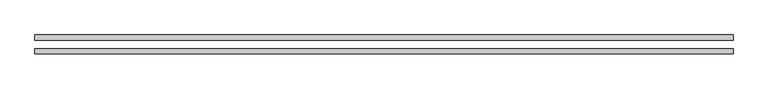
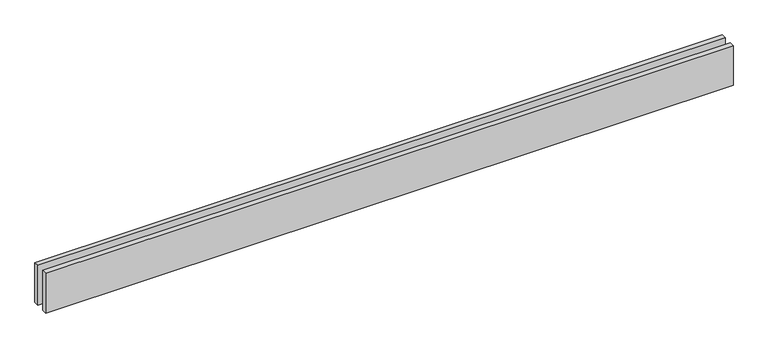
"""IFC4 building model written with IfcOpenShell, lengths in millimetres: proxy geometry."""

from ifc_helpers import new_model, si_unit, origin, origin_with_axes, place, context, project, spatial, polyline, outline, extrude, source, transform, mapped, element, save


def generic_models_0144fda5(model_context):
    return source(origin(), model_context, "Body", "SweptSolid", [
        extrude(outline(polyline([(4080.0, 25.0), (0.0, 25.0), (0.0, 55.0), (4080.0, 55.0), (4080.0, 25.0)])), origin_with_axes(), (0.0, 0.0, 1.0), 250.0),
        extrude(outline(polyline([(4080.0, -55.0), (0.0, -55.0), (0.0, -25.0), (4080.0, -25.0), (4080.0, -55.0)])), origin_with_axes(), (0.0, 0.0, 1.0), 250.0),
    ])


if __name__ == "__main__":
    model = new_model("IFC4")
    model_context = context("Model", 3, world=origin())
    ifc_project = project(units=[si_unit("LENGTHUNIT", "METRE", prefix="MILLI")], contexts=[model_context])
    site = spatial("IfcSite", under=ifc_project)
    building = spatial("IfcBuilding", under=site)
    placement = place(None, origin())
    generic_models_shape = generic_models_0144fda5(model_context)
    element("IfcBuildingElementProxy", 1, Name="Generic Models", at=placement, inside=building, context=model_context, shape_type="MappedRepresentation", body=[
        mapped(generic_models_shape, transform((0.0, 0.0, 0.0), x_axis=(1.0, 0.0, 0.0), y_axis=(0.0, 1.0, 0.0), z_axis=(0.0, 0.0, 1.0))),
    ])
    save(model, "model.ifc")
